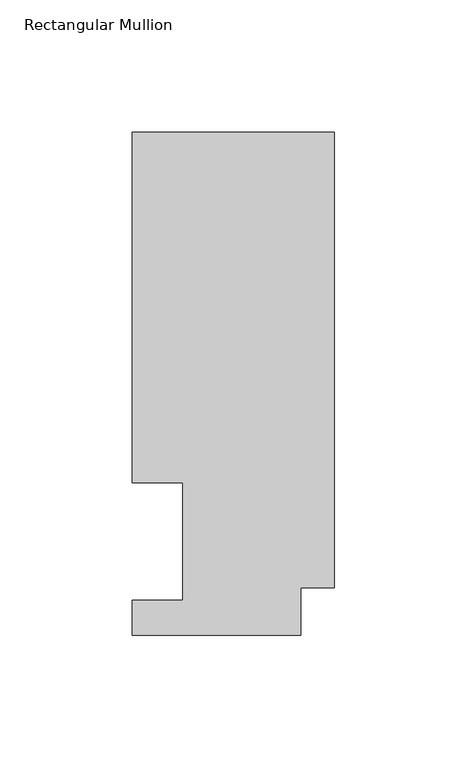
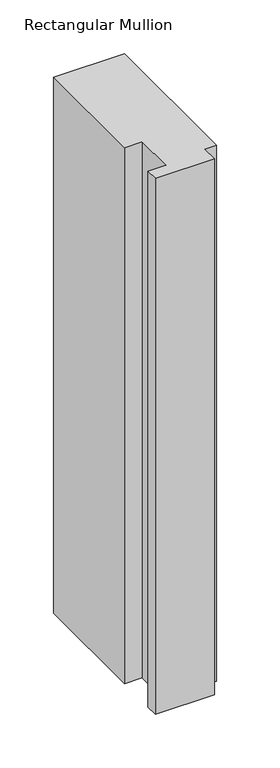
"""IFC4 building model written with IfcOpenShell, lengths in millimetres: member geometry, Rectangular Mullion."""

from ifc_helpers import new_model, si_unit, frame, origin, place, context, project, spatial, polyline, outline, extrude, source, transform, mapped, element, save


def rectangular_mullion_e8a5af40(model_context):
    return source(origin(), model_context, "Body", "SweptSolid", [
        extrude(outline(polyline([(0.0, 189.8022938), (0.0, 17.9712937), (-12.7, 17.9712937), (-12.7, 0.0134938), (-76.2, 0.0134938), (-76.2, 13.1960938), (-57.1627, 13.1960938), (-57.1627, 57.6460937), (-76.2, 57.6460937), (-76.2, 189.8022938), (0.0, 189.8022938)])), frame((0.0, 0.0, -609.56825), z_axis=(0.0, 0.0, 1.0), x_axis=(1.0, 0.0, 0.0)), (0.0, 0.0, 1.0), 609.56825),
    ])


if __name__ == "__main__":
    model = new_model("IFC4")
    model_context = context("Model", 3, world=origin())
    ifc_project = project(units=[si_unit("LENGTHUNIT", "METRE", prefix="MILLI")], contexts=[model_context])
    site = spatial("IfcSite", under=ifc_project)
    building = spatial("IfcBuilding", under=site)
    placement = place(None, origin())
    rectangular_mullion_shape = rectangular_mullion_e8a5af40(model_context)
    element("IfcMember", 1, ObjectType="Rectangular Mullion", at=placement, inside=building, context=model_context, shape_type="MappedRepresentation", body=[
        mapped(rectangular_mullion_shape, transform((0.0, 0.0, 0.0), x_axis=(1.0, 0.0, 0.0), y_axis=(0.0, 1.0, 0.0), z_axis=(0.0, 0.0, 1.0))),
    ])
    save(model, "model.ifc")
